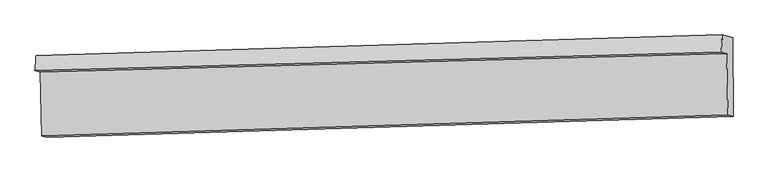
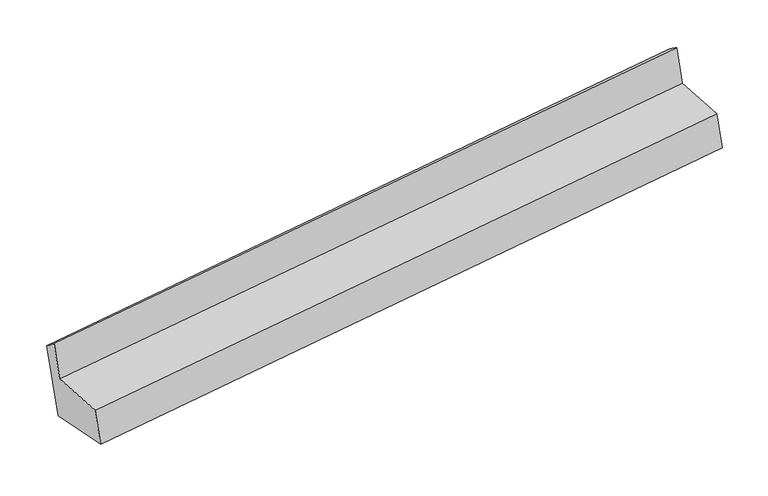
"""IFC4 building model written with IfcOpenShell, lengths in millimetres: proxy geometry."""

import ifcopenshell
import ifcopenshell.guid

model = None  # the IFC model being written
_history = None  # IfcOwnerHistory: only IFC2X3 demands one
_inside = {}  # id of a spatial element -> (the spatial element, [elements in it])
_under = {}  # id of a project, library or spatial element -> (it, [spatial elements below it])
_declared = {}  # id of a project -> (the project, [libraries it declares])
_typed = {}  # id of a type object -> (the type object, [elements of that type])
_made_of = {}  # id of a material, layer set ... -> (it, [elements and type objects made of it])


def new_model(schema):
    """Start an empty IFC model of exactly this schema.

    Asked for "IFC4X3", IfcOpenShell would pick the latest addendum, in which some entities
    have other attributes; the version numbers below select the first issue.
    IFC2X3 requires an IfcOwnerHistory on every rooted entity: one is made here for all.
    """
    global model, _history
    if schema == "IFC4X3":
        model = ifcopenshell.file(schema_version=(4, 3, 0, 0))
    else:
        model = ifcopenshell.file(schema=schema)
    _inside.clear()
    _under.clear()
    _declared.clear()
    _typed.clear()
    _made_of.clear()
    _history = None
    if model.schema == "IFC2X3":
        org = make("IfcOrganization", Name="unknown")
        user = make(
            "IfcPersonAndOrganization",
            ThePerson=make("IfcPerson", FamilyName="unknown"),
            TheOrganization=org,
        )
        app = make(
            "IfcApplication",
            ApplicationDeveloper=org,
            Version="unknown",
            ApplicationFullName="unknown",
            ApplicationIdentifier="unknown",
        )
        _history = make(
            "IfcOwnerHistory",
            OwningUser=user,
            OwningApplication=app,
            ChangeAction="ADDED",
            CreationDate=0,
        )
    return model


def make(cls, **values):
    """One entity of the class cls with the attributes given. An attribute that is None is left unset."""
    return model.create_entity(
        cls, **{name: value for name, value in values.items() if value is not None}
    )


def rooted(cls, **values):
    """An entity with a GlobalId (a new one), such as an element, a storey or a relation."""
    return make(cls, GlobalId=ifcopenshell.guid.new(), OwnerHistory=_history, **values)


def si_unit(unit_type, name, prefix=None):
    """IfcSIUnit, for example si_unit("LENGTHUNIT", "METRE", prefix="MILLI")."""
    return make("IfcSIUnit", UnitType=unit_type, Prefix=prefix, Name=name)


def assignment(units):
    """IfcUnitAssignment: the units of a project."""
    return None if units is None else make("IfcUnitAssignment", Units=units)


def point(xyz):
    """IfcCartesianPoint."""
    return None if xyz is None else make("IfcCartesianPoint", Coordinates=xyz)


def direction(xyz):
    """IfcDirection."""
    return None if xyz is None else make("IfcDirection", DirectionRatios=xyz)


def frame(location, z_axis=None, x_axis=None):
    """IfcAxis2Placement3D, a coordinate frame: its origin and axes. An axis left out is left unset."""
    return make(
        "IfcAxis2Placement3D",
        Location=point(location),
        Axis=direction(z_axis),
        RefDirection=direction(x_axis),
    )


def origin():
    """The frame at (0, 0, 0) with its axes left unset."""
    return frame((0.0, 0.0, 0.0))


def place(relative_to, where):
    """IfcLocalPlacement: puts the frame where relative to a parent placement (None: the world)."""
    return make(
        "IfcLocalPlacement", PlacementRelTo=relative_to, RelativePlacement=where
    )


def context(
    kind, dimensions, precision=None, world=None, true_north=None, identifier=None
):
    """IfcGeometricRepresentationContext, for example the 3D "Model" context."""
    return make(
        "IfcGeometricRepresentationContext",
        ContextIdentifier=identifier,
        ContextType=kind,
        CoordinateSpaceDimension=dimensions,
        Precision=precision,
        WorldCoordinateSystem=world,
        TrueNorth=true_north,
    )


def project(units=None, contexts=None):
    """IfcProject with its units and contexts."""
    return rooted(
        "IfcProject",
        Name="project",
        RepresentationContexts=contexts,
        UnitsInContext=assignment(units),
    )


def spatial(cls, under=None, at=None, **own):
    """A site, building, storey or space (cls), placed at a placement, below another one or the project."""
    s = rooted(cls, ObjectPlacement=at, **own)
    if under is not None:
        _under.setdefault(under.id(), (under, []))[1].append(s)
    return s


def shape(context_of_items, identifier, shape_type, items):
    """IfcShapeRepresentation: the items that make up one representation, for example the "Body"."""
    return make(
        "IfcShapeRepresentation",
        ContextOfItems=context_of_items,
        RepresentationIdentifier=identifier,
        RepresentationType=shape_type,
        Items=items,
    )


def source(mapping_origin, context_of_items, identifier, shape_type, items):
    """IfcRepresentationMap: a shape defined once, which mapped items show again and again."""
    return make(
        "IfcRepresentationMap",
        MappingOrigin=mapping_origin,
        MappedRepresentation=shape(context_of_items, identifier, shape_type, items),
    )


def transform(
    local_origin,
    x_axis=None,
    y_axis=None,
    z_axis=None,
    scale=None,
    scale2=None,
    scale3=None,
    uniform=True,
):
    """IfcCartesianTransformationOperator3D, or its non-uniform kind. x_axis, y_axis, z_axis: its Axis1, 2, 3."""
    if uniform:
        return make(
            "IfcCartesianTransformationOperator3D",
            Axis1=direction(x_axis),
            Axis2=direction(y_axis),
            LocalOrigin=point(local_origin),
            Scale=scale,
            Axis3=direction(z_axis),
        )
    return make(
        "IfcCartesianTransformationOperator3DnonUniform",
        Axis1=direction(x_axis),
        Axis2=direction(y_axis),
        LocalOrigin=point(local_origin),
        Scale=scale,
        Axis3=direction(z_axis),
        Scale2=scale2,
        Scale3=scale3,
    )


def mapped(mapping_source, mapping_target):
    """IfcMappedItem: shows the shape of a source again, moved by a transform."""
    return make(
        "IfcMappedItem", MappingSource=mapping_source, MappingTarget=mapping_target
    )


def made_of(thing, what):
    """Note that an element or type object is made of a material, layer set ...; save() writes the relation."""
    if what is not None:
        _made_of.setdefault(what.id(), (what, []))[1].append(thing)
    return thing


def element(
    cls,
    number,
    at=None,
    inside=None,
    cuts=None,
    type_object=None,
    material=None,
    context=None,
    identifier="Body",
    shape_type=None,
    held_by="IfcProductDefinitionShape",
    body=None,
    shapes=None,
    **own,
):
    """One element of the class cls, such as IfcWall. Its Tag is "e" and its number.

    at: its placement. inside: the storey or other place that contains it. cuts: it is an
    opening in that element (IfcRelVoidsElement). A single representation is given by context,
    identifier, shape_type and body (its items); several are given by shapes. held_by: the class
    of the entity that holds the representations. save() writes the other relations.
    """
    e = rooted(cls, Tag="e%d" % number, ObjectPlacement=at, **own)
    if body is not None:
        shapes = [shape(context, identifier, shape_type, body)]
    if shapes is not None:
        e.Representation = make(held_by, Representations=shapes)
    if inside is not None:
        _inside.setdefault(inside.id(), (inside, []))[1].append(e)
    if cuts is not None:
        rooted(
            "IfcRelVoidsElement", RelatingBuildingElement=cuts, RelatedOpeningElement=e
        )
    if type_object is not None:
        _typed.setdefault(type_object.id(), (type_object, []))[1].append(e)
    return made_of(e, material)


def aggregate(whole, parts):
    """IfcRelAggregates: a whole, such as a stair, and the parts it consists of."""
    return rooted("IfcRelAggregates", RelatingObject=whole, RelatedObjects=parts)


def save(model, path):
    """Write the relations noted so far, then the file.

    IfcRelAggregates (storeys below a building ...), IfcRelContainedInSpatialStructure (elements
    in a storey), IfcRelDefinesByType, IfcRelAssociatesMaterial and IfcRelDeclares: one each for
    every whole, place, type object, material and project.
    """
    for whole, parts in _under.values():
        aggregate(whole, parts)
    for where, things in _inside.values():
        rooted(
            "IfcRelContainedInSpatialStructure",
            RelatedElements=things,
            RelatingStructure=where,
        )
    for kind, things in _typed.values():
        rooted("IfcRelDefinesByType", RelatedObjects=things, RelatingType=kind)
    for what, things in _made_of.values():
        rooted("IfcRelAssociatesMaterial", RelatedObjects=things, RelatingMaterial=what)
    for by, libraries in _declared.values():
        rooted("IfcRelDeclares", RelatingContext=by, RelatedDefinitions=libraries)
    model.write(path)


def plane_surface(at):
    """IfcPlane: the flat surface through the origin of the frame at, square to its z axis."""
    return make("IfcPlane", Position=at)


def spline_surface(u_degree, v_degree, points, u_multiplicities, v_multiplicities, u_knots, v_knots, weights=None):
    """IfcBSplineSurfaceWithKnots; with weights, IfcRationalBSplineSurfaceWithKnots. points: one row for each step in u."""
    own = dict(
        UDegree=u_degree,
        VDegree=v_degree,
        ControlPointsList=[[point(p) for p in row] for row in points],
        SurfaceForm="UNSPECIFIED",
        UClosed=False,
        VClosed=False,
        SelfIntersect=False,
        UMultiplicities=u_multiplicities,
        VMultiplicities=v_multiplicities,
        UKnots=u_knots,
        VKnots=v_knots,
        KnotSpec="UNSPECIFIED",
    )
    if weights is None:
        return make("IfcBSplineSurfaceWithKnots", **own)
    return make("IfcRationalBSplineSurfaceWithKnots", WeightsData=weights, **own)


def advanced_brep(points, edges, surfaces, faces):
    """IfcAdvancedBrep: a solid bounded by faces that lie on surfaces and meet in shared edges.

    An edge is (start, end): straight between two places in points (the first is 0);
    or (start, end, curve); or (start, end, curve, False) where it runs against its curve.
    A face is (place in surfaces, loops), or (place, loops, False) where it looks against
    its surface's normal. A loop lists edges by number (the first is 1), with a minus sign
    where the edge is run from its end to its start. The first loop is the outer one.
    """
    corners = [point(p) for p in points]
    vertices = [make("IfcVertexPoint", VertexGeometry=c) for c in corners]
    made = []
    for start, end, *more in edges:
        made.append(
            make(
                "IfcEdgeCurve",
                EdgeStart=vertices[start],
                EdgeEnd=vertices[end],
                EdgeGeometry=more[0] if more else make("IfcPolyline", Points=[corners[start], corners[end]]),
                SameSense=more[1] if len(more) > 1 else True,
            )
        )
    hull = []
    for where, loops, *sense in faces:
        bounds = []
        for j, loop in enumerate(loops):
            ring = [make("IfcOrientedEdge", EdgeElement=made[abs(k) - 1], Orientation=k > 0) for k in loop]
            bounds.append(
                make(
                    "IfcFaceOuterBound" if j == 0 else "IfcFaceBound",
                    Bound=make("IfcEdgeLoop", EdgeList=ring),
                    Orientation=True,
                )
            )
        hull.append(make("IfcAdvancedFace", Bounds=bounds, FaceSurface=surfaces[where], SameSense=sense[0] if sense else True))
    return make("IfcAdvancedBrep", Outer=make("IfcClosedShell", CfsFaces=hull))


def generic_models_20df5712(model_context):
    return source(origin(), model_context, "Body", "AdvancedBrep", [
        advanced_brep(
        [(-6326.7048153, -1299.9036556, 966.6314506), (-6434.780892, -1270.0298884, 1808.2281514), (610.1493166, -1058.5328727, 2705.4158471), (718.2253933, -1088.4066399, 1863.8191463), (-6324.0189188, -2111.9307466, 1118.7478795), (720.9112898, -1900.4337309, 2015.9355752), (-6377.164304, -2097.240605, 1532.5950716), (667.7659046, -1885.7435893, 2429.7827673), (-6391.7615611, -1442.4871561, 1507.4790435), (653.6140949, -1250.9704846, 2405.4331756), (-6446.9211631, -1427.2402564, 1937.0110956), (598.4544929, -1235.7235848, 2834.9652278)],
        [
            (0, 1),
            (1, 2),
            (2, 3),
            (3, 0),
            (4, 0),
            (3, 5),
            (5, 4),
            (6, 4),
            (5, 7),
            (7, 6),
            (8, 6),
            (7, 9),
            (9, 8),
            (10, 8),
            (9, 11),
            (11, 10),
            (1, 10),
            (11, 2),
        ],
        [
            plane_surface(frame((-6380.7428536, -1284.966772, 1387.429801), z_axis=(-0.025063606321189428, 0.9989373713766923, -0.038677431471091574), x_axis=(-0.12729306492754053, 0.035185616517350166, 0.9912408627632574))),
            plane_surface(frame((-6325.361867, -1705.9172011, 1042.6896651), z_axis=(0.12959771684219593, -0.18215945699793834, -0.9746909069112663), x_axis=(-0.0032510745728506502, 0.9828973780243268, -0.1841254322113749))),
            plane_surface(frame((-6350.5916114, -2104.5856758, 1325.6714755), z_axis=(0.025063606321189393, -0.9989373713766925, 0.03867743147109185), x_axis=(0.12729306492754042, -0.03518561651735044, -0.9912408627632575))),
            plane_surface(frame((-6384.4629326, -1769.8638806, 1520.0370575), z_axis=(-0.1272930649275404, 0.03518561651734963, 0.9912408627632575), x_axis=(0.02227236995632803, -0.9990172068578902, 0.038321820655963956))),
            plane_surface(frame((-6419.3413621, -1434.8637063, 1722.2450696), z_axis=(0.022272369956325117, -0.9990172068578905, 0.038321820655963845), x_axis=(0.12729306492754067, -0.035185616517349874, -0.9912408627632575))),
            spline_surface(1, 1, [[(-6434.780892, -1270.0298884, 1808.2281514), (610.1493166, -1058.5328727, 2705.4158471)], [(-6446.9211631, -1427.2402564, 1937.0110956), (598.4544929, -1235.7235848, 2834.9652278)]], [2, 2], [2, 2], [0.0, 1.0], [0.0, 1.0]),
            plane_surface(frame((661.520082, -1403.301817, 2375.8919566), z_axis=(0.9916150549270022, 0.02695538521619423, 0.12638429510807558), x_axis=(0.02227236995632803, -0.9990172068578902, 0.038321820655963956))),
            plane_surface(frame((-6383.558609, -1608.138718, 1478.448782), z_axis=(-0.9916150549270021, -0.026955385216193797, -0.12638429510807572), x_axis=(0.12729306492754053, -0.035185616517350325, -0.9912408627632574))),
        ],
        [
            (0, [[1, 2, 3, 4]]),
            (1, [[5, -4, 6, 7]]),
            (2, [[8, -7, 9, 10]]),
            (3, [[11, -10, 12, 13]]),
            (4, [[14, -13, 15, 16]]),
            (5, [[17, -16, 18, -2]]),
            (6, [[-12, -9, -6, -3, -18, -15]]),
            (7, [[-1, -5, -8, -11, -14, -17]]),
        ],
    ),
    ])


if __name__ == "__main__":
    model = new_model("IFC4")
    model_context = context("Model", 3, world=origin())
    ifc_project = project(units=[si_unit("LENGTHUNIT", "METRE", prefix="MILLI")], contexts=[model_context])
    site = spatial("IfcSite", under=ifc_project)
    building = spatial("IfcBuilding", under=site)
    placement = place(None, origin())
    generic_models_shape = generic_models_20df5712(model_context)
    element("IfcBuildingElementProxy", 1, Name="Generic Models", at=placement, inside=building, context=model_context, shape_type="MappedRepresentation", body=[
        mapped(generic_models_shape, transform((0.0, 0.0, 0.0), x_axis=(1.0, 0.0, 0.0), y_axis=(0.0, 1.0, 0.0), z_axis=(0.0, 0.0, 1.0))),
    ])
    save(model, "model.ifc")
